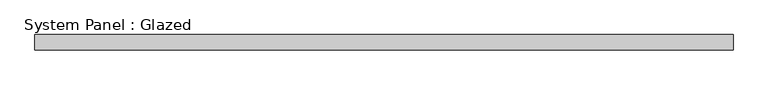
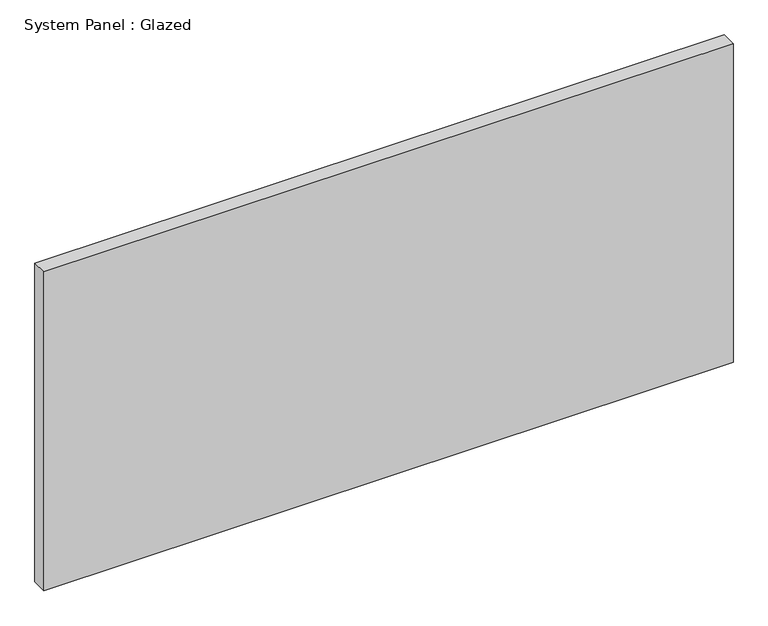
"""IFC4 building model written with IfcOpenShell, lengths in millimetres: plate geometry, System Panel : Glazed."""

from ifc_helpers import new_model, si_unit, origin, origin_with_axes, place, context, project, spatial, polyline, outline, extrude, source, transform, mapped, element, save


def system_panel_glazed_56cb4c7f(model_context):
    return source(origin(), model_context, "Body", "SweptSolid", [
        extrude(outline(polyline([(571.6192859, -12.7), (-571.6192859, -12.7), (-571.6192859, 12.7), (571.6192859, 12.7), (571.6192859, -12.7)])), origin_with_axes(), (0.0, 0.0, 1.0), 558.8),
    ])


if __name__ == "__main__":
    model = new_model("IFC4")
    model_context = context("Model", 3, world=origin())
    ifc_project = project(units=[si_unit("LENGTHUNIT", "METRE", prefix="MILLI")], contexts=[model_context])
    site = spatial("IfcSite", under=ifc_project)
    building = spatial("IfcBuilding", under=site)
    placement = place(None, origin())
    system_panel_glazed_shape = system_panel_glazed_56cb4c7f(model_context)
    element("IfcPlate", 1, ObjectType="System Panel : Glazed", at=placement, inside=building, context=model_context, shape_type="MappedRepresentation", body=[
        mapped(system_panel_glazed_shape, transform((0.0, 0.0, 0.0), x_axis=(1.0, 0.0, 0.0), y_axis=(0.0, 1.0, 0.0), z_axis=(0.0, 0.0, 1.0))),
    ])
    save(model, "model.ifc")
